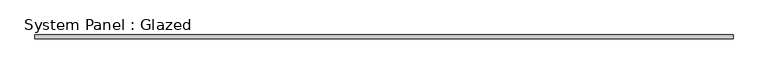
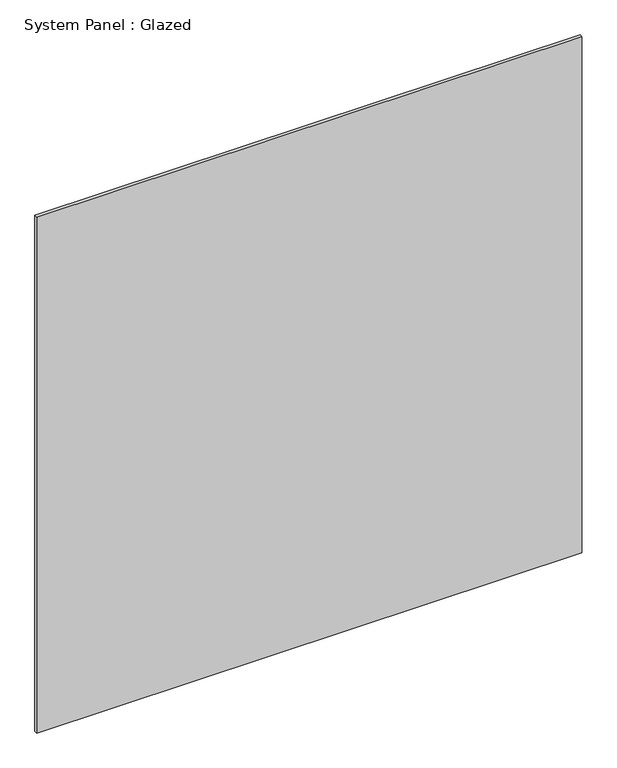
"""IFC4 building model written with IfcOpenShell, lengths in millimetres: plate geometry, System Panel : Glazed."""

from ifc_helpers import new_model, si_unit, origin, origin_with_axes, place, context, project, spatial, polyline, outline, extrude, source, transform, mapped, element, save


def system_panel_glazed_df78800c(model_context):
    return source(origin(), model_context, "Body", "SweptSolid", [
        extrude(outline(polyline([(585.5843, -3.175), (-585.5843, -3.175), (-585.5843, 3.175), (585.5843, 3.175), (585.5843, -3.175)])), origin_with_axes(), (0.0, 0.0, 1.0), 1171.5757782),
    ])


if __name__ == "__main__":
    model = new_model("IFC4")
    model_context = context("Model", 3, world=origin())
    ifc_project = project(units=[si_unit("LENGTHUNIT", "METRE", prefix="MILLI")], contexts=[model_context])
    site = spatial("IfcSite", under=ifc_project)
    building = spatial("IfcBuilding", under=site)
    placement = place(None, origin())
    system_panel_glazed_shape = system_panel_glazed_df78800c(model_context)
    element("IfcPlate", 1, ObjectType="System Panel : Glazed", at=placement, inside=building, context=model_context, shape_type="MappedRepresentation", body=[
        mapped(system_panel_glazed_shape, transform((0.0, 0.0, 0.0), x_axis=(1.0, 0.0, 0.0), y_axis=(0.0, 1.0, 0.0), z_axis=(0.0, 0.0, 1.0))),
    ])
    save(model, "model.ifc")
